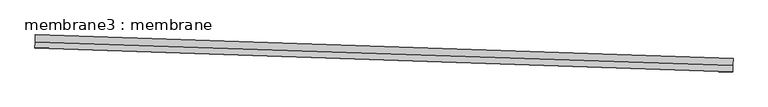
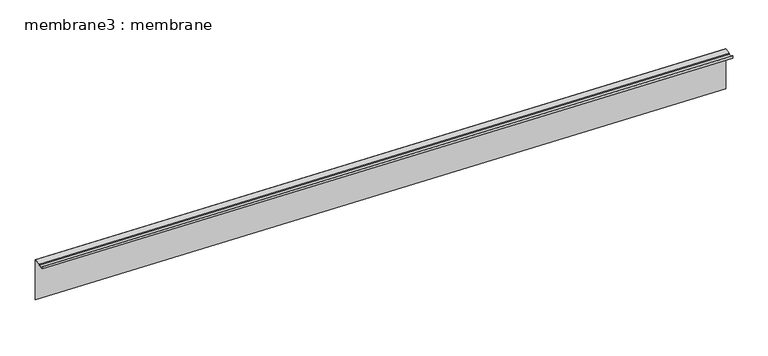
"""IFC4 building model written with IfcOpenShell, lengths in millimetres: proxy geometry, membrane3 : membrane."""

from ifc_helpers import new_model, si_unit, frame, origin, place, context, project, spatial, polyline, outline, extrude, source, transform, mapped, element, save


def membrane3_membrane_37f3fe89(model_context):
    return source(origin(), model_context, "Body", "SweptSolid", [
        extrude(outline(polyline([(0.0, 0.0), (-93.017468, 1061.9550446), (-90.5744012, 1062.1690347), (2.6766198, -2.4524207), (-174.0656884, -2.4524207), (-176.3828909, 24.0024472), (-324.5513866, 11.0242535), (-319.4839742, -46.8290109), (-321.9270411, -47.043001), (-327.2084437, 13.2533302), (-174.1538142, 26.6595042), (-171.8186875, 0.0), (0.0, 0.0)])), frame((34376.4831487, -14830.3057201, 4234.2540293), z_axis=(-0.9994149479165555, 0.03420178183880127, 0.0), x_axis=(0.034071331483387056, 0.9956030402277553, 0.08725669407099969)), (0.0, 0.0, 1.0), 17068.8),
    ])


if __name__ == "__main__":
    model = new_model("IFC4")
    model_context = context("Model", 3, world=origin())
    ifc_project = project(units=[si_unit("LENGTHUNIT", "METRE", prefix="MILLI")], contexts=[model_context])
    site = spatial("IfcSite", under=ifc_project)
    building = spatial("IfcBuilding", under=site)
    placement = place(None, origin())
    membrane3_membrane_shape = membrane3_membrane_37f3fe89(model_context)
    element("IfcBuildingElementProxy", 1, Name="membrane3 : membrane", ObjectType="membrane3 : membrane", at=placement, inside=building, context=model_context, shape_type="MappedRepresentation", body=[
        mapped(membrane3_membrane_shape, transform((0.0, 0.0, 0.0), x_axis=(1.0, 0.0, 0.0), y_axis=(0.0, 1.0, 0.0), z_axis=(0.0, 0.0, 1.0))),
    ])
    save(model, "model.ifc")
